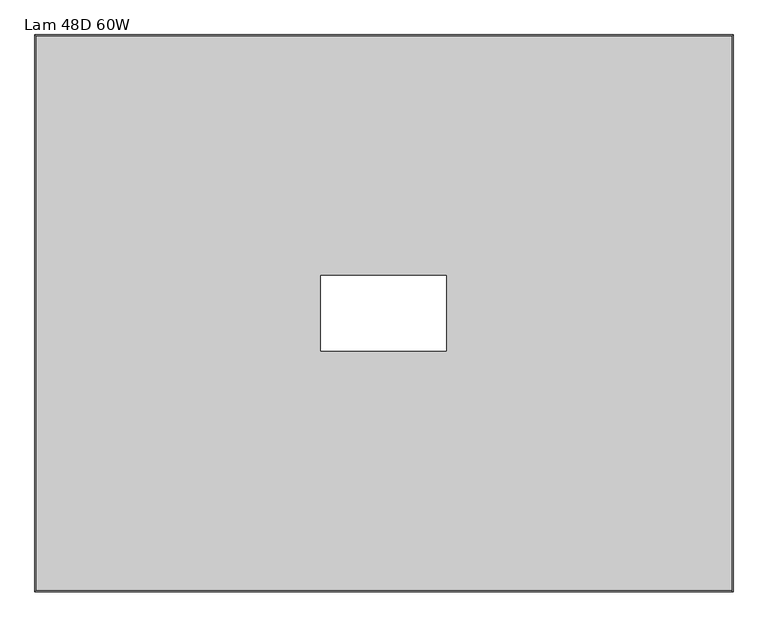
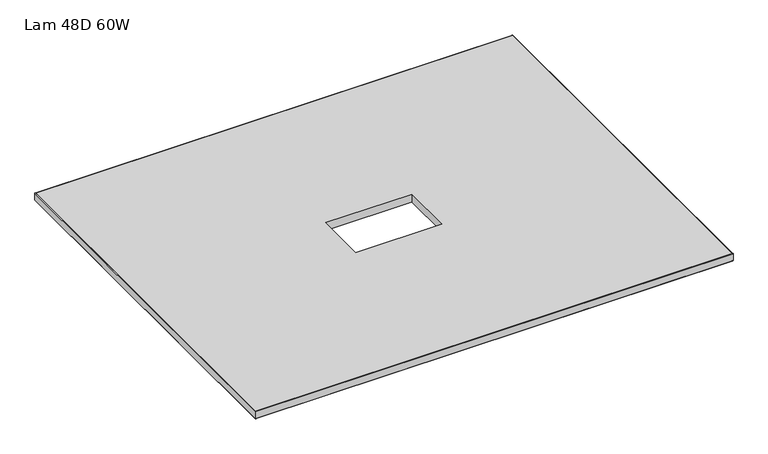
"""IFC4 building model written with IfcOpenShell, lengths in millimetres: furniture geometry, Lam 48D 60W."""

import ifcopenshell
import ifcopenshell.guid

model = None  # the IFC model being written
_history = None  # IfcOwnerHistory: only IFC2X3 demands one
_inside = {}  # id of a spatial element -> (the spatial element, [elements in it])
_under = {}  # id of a project, library or spatial element -> (it, [spatial elements below it])
_declared = {}  # id of a project -> (the project, [libraries it declares])
_typed = {}  # id of a type object -> (the type object, [elements of that type])
_made_of = {}  # id of a material, layer set ... -> (it, [elements and type objects made of it])


def new_model(schema):
    """Start an empty IFC model of exactly this schema.

    Asked for "IFC4X3", IfcOpenShell would pick the latest addendum, in which some entities
    have other attributes; the version numbers below select the first issue.
    IFC2X3 requires an IfcOwnerHistory on every rooted entity: one is made here for all.
    """
    global model, _history
    if schema == "IFC4X3":
        model = ifcopenshell.file(schema_version=(4, 3, 0, 0))
    else:
        model = ifcopenshell.file(schema=schema)
    _inside.clear()
    _under.clear()
    _declared.clear()
    _typed.clear()
    _made_of.clear()
    _history = None
    if model.schema == "IFC2X3":
        org = make("IfcOrganization", Name="unknown")
        user = make(
            "IfcPersonAndOrganization",
            ThePerson=make("IfcPerson", FamilyName="unknown"),
            TheOrganization=org,
        )
        app = make(
            "IfcApplication",
            ApplicationDeveloper=org,
            Version="unknown",
            ApplicationFullName="unknown",
            ApplicationIdentifier="unknown",
        )
        _history = make(
            "IfcOwnerHistory",
            OwningUser=user,
            OwningApplication=app,
            ChangeAction="ADDED",
            CreationDate=0,
        )
    return model


def make(cls, **values):
    """One entity of the class cls with the attributes given. An attribute that is None is left unset."""
    return model.create_entity(
        cls, **{name: value for name, value in values.items() if value is not None}
    )


def rooted(cls, **values):
    """An entity with a GlobalId (a new one), such as an element, a storey or a relation."""
    return make(cls, GlobalId=ifcopenshell.guid.new(), OwnerHistory=_history, **values)


def si_unit(unit_type, name, prefix=None):
    """IfcSIUnit, for example si_unit("LENGTHUNIT", "METRE", prefix="MILLI")."""
    return make("IfcSIUnit", UnitType=unit_type, Prefix=prefix, Name=name)


def assignment(units):
    """IfcUnitAssignment: the units of a project."""
    return None if units is None else make("IfcUnitAssignment", Units=units)


def point(xyz):
    """IfcCartesianPoint."""
    return None if xyz is None else make("IfcCartesianPoint", Coordinates=xyz)


def direction(xyz):
    """IfcDirection."""
    return None if xyz is None else make("IfcDirection", DirectionRatios=xyz)


def frame(location, z_axis=None, x_axis=None):
    """IfcAxis2Placement3D, a coordinate frame: its origin and axes. An axis left out is left unset."""
    return make(
        "IfcAxis2Placement3D",
        Location=point(location),
        Axis=direction(z_axis),
        RefDirection=direction(x_axis),
    )


def origin():
    """The frame at (0, 0, 0) with its axes left unset."""
    return frame((0.0, 0.0, 0.0))


def place(relative_to, where):
    """IfcLocalPlacement: puts the frame where relative to a parent placement (None: the world)."""
    return make(
        "IfcLocalPlacement", PlacementRelTo=relative_to, RelativePlacement=where
    )


def context(
    kind, dimensions, precision=None, world=None, true_north=None, identifier=None
):
    """IfcGeometricRepresentationContext, for example the 3D "Model" context."""
    return make(
        "IfcGeometricRepresentationContext",
        ContextIdentifier=identifier,
        ContextType=kind,
        CoordinateSpaceDimension=dimensions,
        Precision=precision,
        WorldCoordinateSystem=world,
        TrueNorth=true_north,
    )


def project(units=None, contexts=None):
    """IfcProject with its units and contexts."""
    return rooted(
        "IfcProject",
        Name="project",
        RepresentationContexts=contexts,
        UnitsInContext=assignment(units),
    )


def spatial(cls, under=None, at=None, **own):
    """A site, building, storey or space (cls), placed at a placement, below another one or the project."""
    s = rooted(cls, ObjectPlacement=at, **own)
    if under is not None:
        _under.setdefault(under.id(), (under, []))[1].append(s)
    return s


def polyline(points):
    """IfcPolyline through the points."""
    return make("IfcPolyline", Points=[point(p) for p in points])


def ellipse_curve(where, semi_axis1, semi_axis2):
    """IfcEllipse in the frame where."""
    return make(
        "IfcEllipse", Position=where, SemiAxis1=semi_axis1, SemiAxis2=semi_axis2
    )


def outline(outer, holes=None, kind="AREA"):
    """IfcArbitraryClosedProfileDef: a profile drawn as a closed curve; with holes, ...WithVoids."""
    if holes is None:
        return make("IfcArbitraryClosedProfileDef", ProfileType=kind, OuterCurve=outer)
    return make(
        "IfcArbitraryProfileDefWithVoids",
        ProfileType=kind,
        OuterCurve=outer,
        InnerCurves=holes,
    )


def extrude(swept, where, along, depth):
    """IfcExtrudedAreaSolid: the profile swept, set in the frame where, extruded along a direction by depth."""
    return make(
        "IfcExtrudedAreaSolid",
        SweptArea=swept,
        Position=where,
        ExtrudedDirection=direction(along),
        Depth=depth,
    )


def shape(context_of_items, identifier, shape_type, items):
    """IfcShapeRepresentation: the items that make up one representation, for example the "Body"."""
    return make(
        "IfcShapeRepresentation",
        ContextOfItems=context_of_items,
        RepresentationIdentifier=identifier,
        RepresentationType=shape_type,
        Items=items,
    )


def source(mapping_origin, context_of_items, identifier, shape_type, items):
    """IfcRepresentationMap: a shape defined once, which mapped items show again and again."""
    return make(
        "IfcRepresentationMap",
        MappingOrigin=mapping_origin,
        MappedRepresentation=shape(context_of_items, identifier, shape_type, items),
    )


def transform(
    local_origin,
    x_axis=None,
    y_axis=None,
    z_axis=None,
    scale=None,
    scale2=None,
    scale3=None,
    uniform=True,
):
    """IfcCartesianTransformationOperator3D, or its non-uniform kind. x_axis, y_axis, z_axis: its Axis1, 2, 3."""
    if uniform:
        return make(
            "IfcCartesianTransformationOperator3D",
            Axis1=direction(x_axis),
            Axis2=direction(y_axis),
            LocalOrigin=point(local_origin),
            Scale=scale,
            Axis3=direction(z_axis),
        )
    return make(
        "IfcCartesianTransformationOperator3DnonUniform",
        Axis1=direction(x_axis),
        Axis2=direction(y_axis),
        LocalOrigin=point(local_origin),
        Scale=scale,
        Axis3=direction(z_axis),
        Scale2=scale2,
        Scale3=scale3,
    )


def mapped(mapping_source, mapping_target):
    """IfcMappedItem: shows the shape of a source again, moved by a transform."""
    return make(
        "IfcMappedItem", MappingSource=mapping_source, MappingTarget=mapping_target
    )


def made_of(thing, what):
    """Note that an element or type object is made of a material, layer set ...; save() writes the relation."""
    if what is not None:
        _made_of.setdefault(what.id(), (what, []))[1].append(thing)
    return thing


def element(
    cls,
    number,
    at=None,
    inside=None,
    cuts=None,
    type_object=None,
    material=None,
    context=None,
    identifier="Body",
    shape_type=None,
    held_by="IfcProductDefinitionShape",
    body=None,
    shapes=None,
    **own,
):
    """One element of the class cls, such as IfcWall. Its Tag is "e" and its number.

    at: its placement. inside: the storey or other place that contains it. cuts: it is an
    opening in that element (IfcRelVoidsElement). A single representation is given by context,
    identifier, shape_type and body (its items); several are given by shapes. held_by: the class
    of the entity that holds the representations. save() writes the other relations.
    """
    e = rooted(cls, Tag="e%d" % number, ObjectPlacement=at, **own)
    if body is not None:
        shapes = [shape(context, identifier, shape_type, body)]
    if shapes is not None:
        e.Representation = make(held_by, Representations=shapes)
    if inside is not None:
        _inside.setdefault(inside.id(), (inside, []))[1].append(e)
    if cuts is not None:
        rooted(
            "IfcRelVoidsElement", RelatingBuildingElement=cuts, RelatedOpeningElement=e
        )
    if type_object is not None:
        _typed.setdefault(type_object.id(), (type_object, []))[1].append(e)
    return made_of(e, material)


def aggregate(whole, parts):
    """IfcRelAggregates: a whole, such as a stair, and the parts it consists of."""
    return rooted("IfcRelAggregates", RelatingObject=whole, RelatedObjects=parts)


def save(model, path):
    """Write the relations noted so far, then the file.

    IfcRelAggregates (storeys below a building ...), IfcRelContainedInSpatialStructure (elements
    in a storey), IfcRelDefinesByType, IfcRelAssociatesMaterial and IfcRelDeclares: one each for
    every whole, place, type object, material and project.
    """
    for whole, parts in _under.values():
        aggregate(whole, parts)
    for where, things in _inside.values():
        rooted(
            "IfcRelContainedInSpatialStructure",
            RelatedElements=things,
            RelatingStructure=where,
        )
    for kind, things in _typed.values():
        rooted("IfcRelDefinesByType", RelatedObjects=things, RelatingType=kind)
    for what, things in _made_of.values():
        rooted("IfcRelAssociatesMaterial", RelatedObjects=things, RelatingMaterial=what)
    for by, libraries in _declared.values():
        rooted("IfcRelDeclares", RelatingContext=by, RelatedDefinitions=libraries)
    model.write(path)


def plane_surface(at):
    """IfcPlane: the flat surface through the origin of the frame at, square to its z axis."""
    return make("IfcPlane", Position=at)


def cylinder_surface(at, radius):
    """IfcCylindricalSurface: all points at the distance radius from the z axis of the frame at."""
    return make("IfcCylindricalSurface", Position=at, Radius=radius)


def advanced_brep(points, edges, surfaces, faces):
    """IfcAdvancedBrep: a solid bounded by faces that lie on surfaces and meet in shared edges.

    An edge is (start, end): straight between two places in points (the first is 0);
    or (start, end, curve); or (start, end, curve, False) where it runs against its curve.
    A face is (place in surfaces, loops), or (place, loops, False) where it looks against
    its surface's normal. A loop lists edges by number (the first is 1), with a minus sign
    where the edge is run from its end to its start. The first loop is the outer one.
    """
    corners = [point(p) for p in points]
    vertices = [make("IfcVertexPoint", VertexGeometry=c) for c in corners]
    made = []
    for start, end, *more in edges:
        made.append(
            make(
                "IfcEdgeCurve",
                EdgeStart=vertices[start],
                EdgeEnd=vertices[end],
                EdgeGeometry=more[0] if more else make("IfcPolyline", Points=[corners[start], corners[end]]),
                SameSense=more[1] if len(more) > 1 else True,
            )
        )
    hull = []
    for where, loops, *sense in faces:
        bounds = []
        for j, loop in enumerate(loops):
            ring = [make("IfcOrientedEdge", EdgeElement=made[abs(k) - 1], Orientation=k > 0) for k in loop]
            bounds.append(
                make(
                    "IfcFaceOuterBound" if j == 0 else "IfcFaceBound",
                    Bound=make("IfcEdgeLoop", EdgeList=ring),
                    Orientation=True,
                )
            )
        hull.append(make("IfcAdvancedFace", Bounds=bounds, FaceSurface=surfaces[where], SameSense=sense[0] if sense else True))
    return make("IfcAdvancedBrep", Outer=make("IfcClosedShell", CfsFaces=hull))


def lam_48d_60w_bb0b114c(model_context):
    return source(origin(), model_context, "Body", "SolidModel", [
        advanced_brep(
        [(-397.0, 604.8248, 330.2), (-397.0, 604.8248, 304.8), (1119.3518, 604.8248, 304.8), (1119.3518, 604.8248, 330.2), (1119.3518, -604.8248, 304.8), (1119.3518, -604.8248, 330.2), (-397.0, -604.8248, 304.8), (-397.0, -604.8248, 330.2), (-398.6002, 606.425, 306.4002), (-398.6002, 606.425, 328.5998), (1120.952, 606.425, 328.5998), (1120.952, 606.425, 306.4002), (1120.952, -606.425, 328.5998), (1120.952, -606.425, 306.4002), (-398.6002, -606.425, 328.5998), (-398.6002, -606.425, 306.4002)],
        [
            (0, 1),
            (1, 2),
            (2, 3),
            (3, 0),
            (2, 4),
            (4, 5),
            (5, 3),
            (4, 6),
            (6, 7),
            (7, 5),
            (6, 1),
            (0, 7),
            (8, 9),
            (9, 10),
            (10, 11),
            (11, 8),
            (10, 12),
            (12, 13),
            (13, 11),
            (12, 14),
            (14, 15),
            (15, 13),
            (14, 9),
            (8, 15),
            (9, 0, ellipse_curve(frame((-397.0, 604.8248, 328.5998), z_axis=(0.7071067811865475, 0.7071067811865475, 0.0), x_axis=(-0.7071067811865476, 0.7071067811865474, 0.0)), 2.2630245, 1.6002)),
            (3, 10, ellipse_curve(frame((1119.3518, 604.8248, 328.5998), z_axis=(-0.7071067811865475, 0.7071067811865475, 0.0), x_axis=(-0.7071067811865476, -0.7071067811865474, 0.0)), 2.2630245, 1.6002)),
            (1, 8, ellipse_curve(frame((-397.0, 604.8248, 306.4002), z_axis=(0.7071067811865475, 0.7071067811865475, 0.0), x_axis=(-0.7071067811865476, 0.7071067811865474, 0.0)), 2.2630245, 1.6002)),
            (11, 2, ellipse_curve(frame((1119.3518, 604.8248, 306.4002), z_axis=(-0.7071067811865475, 0.7071067811865475, 0.0), x_axis=(-0.7071067811865476, -0.7071067811865474, 0.0)), 2.2630245, 1.6002)),
            (5, 12, ellipse_curve(frame((1119.3518, -604.8248, 328.5998), z_axis=(0.7071067811865475, 0.7071067811865475, 0.0), x_axis=(-0.7071067811865474, 0.7071067811865476, 0.0)), 2.2630245, 1.6002)),
            (13, 4, ellipse_curve(frame((1119.3518, -604.8248, 306.4002), z_axis=(0.7071067811865475, 0.7071067811865475, 0.0), x_axis=(-0.7071067811865474, 0.7071067811865476, 0.0)), 2.2630245, 1.6002)),
            (7, 14, ellipse_curve(frame((-397.0, -604.8248, 328.5998), z_axis=(0.7071067811865475, -0.7071067811865475, 0.0), x_axis=(0.7071067811865476, 0.7071067811865474, 0.0)), 2.2630245, 1.6002)),
            (15, 6, ellipse_curve(frame((-397.0, -604.8248, 306.4002), z_axis=(0.7071067811865475, -0.7071067811865475, 0.0), x_axis=(0.7071067811865476, 0.7071067811865474, 0.0)), 2.2630245, 1.6002)),
        ],
        [
            plane_surface(frame((-397.0, 604.8248, 304.8), z_axis=(0.0, -1.0, 0.0), x_axis=(1.0, 0.0, 0.0))),
            plane_surface(frame((1119.3518, 604.8248, 304.8), z_axis=(-1.0, 0.0, 0.0), x_axis=(0.0, -1.0, 0.0))),
            plane_surface(frame((1119.3518, -604.8248, 304.8), z_axis=(0.0, 1.0, 0.0), x_axis=(-1.0, 0.0, 0.0))),
            plane_surface(frame((-397.0, -604.8248, 304.8), z_axis=(1.0, 0.0, 0.0), x_axis=(0.0, 1.0, 0.0))),
            plane_surface(frame((-398.6002, 606.425, 328.5998), z_axis=(0.0, 1.0, 0.0), x_axis=(1.0, 0.0, 0.0))),
            plane_surface(frame((1120.952, 606.425, 328.5998), z_axis=(1.0, 0.0, 0.0), x_axis=(0.0, -1.0, 0.0))),
            plane_surface(frame((1120.952, -606.425, 328.5998), z_axis=(0.0, -1.0, 0.0), x_axis=(-1.0, 0.0, 0.0))),
            plane_surface(frame((-398.6002, -606.425, 328.5998), z_axis=(-1.0, 0.0, 0.0), x_axis=(0.0, 1.0, 0.0))),
            cylinder_surface(frame((-397.0, 604.8248, 328.5998), z_axis=(-1.0, 0.0, 0.0), x_axis=(0.0, -1.0, 0.0)), 1.6002),
            cylinder_surface(frame((-397.0, 604.8248, 306.4002), z_axis=(-1.0, 0.0, 0.0), x_axis=(0.0, -1.0, 0.0)), 1.6002),
            cylinder_surface(frame((1119.3518, 604.8248, 328.5998), z_axis=(0.0, 1.0, 0.0), x_axis=(-1.0, 0.0, 0.0)), 1.6002),
            cylinder_surface(frame((1119.3518, 604.8248, 306.4002), z_axis=(0.0, 1.0, 0.0), x_axis=(-1.0, 0.0, 0.0)), 1.6002),
            cylinder_surface(frame((1119.3518, -604.8248, 328.5998), z_axis=(1.0, 0.0, 0.0), x_axis=(0.0, 1.0, 0.0)), 1.6002),
            cylinder_surface(frame((1119.3518, -604.8248, 306.4002), z_axis=(1.0, 0.0, 0.0), x_axis=(0.0, 1.0, 0.0)), 1.6002),
            cylinder_surface(frame((-397.0, -604.8248, 328.5998), z_axis=(0.0, -1.0, 0.0), x_axis=(1.0, 0.0, 0.0)), 1.6002),
            cylinder_surface(frame((-397.0, -604.8248, 306.4002), z_axis=(0.0, -1.0, 0.0), x_axis=(1.0, 0.0, 0.0)), 1.6002),
        ],
        [
            (0, [[1, 2, 3, 4]]),
            (1, [[-3, 5, 6, 7]]),
            (2, [[-6, 8, 9, 10]]),
            (3, [[-9, 11, -1, 12]]),
            (4, [[13, 14, 15, 16]]),
            (5, [[-15, 17, 18, 19]]),
            (6, [[-18, 20, 21, 22]]),
            (7, [[-21, 23, -13, 24]]),
            (8, [[25, -4, 26, -14]]),
            (9, [[27, -16, 28, -2]]),
            (10, [[-26, -7, 29, -17]]),
            (11, [[-28, -19, 30, -5]]),
            (12, [[-29, -10, 31, -20]]),
            (13, [[-30, -22, 32, -8]]),
            (14, [[-31, -12, -25, -23]]),
            (15, [[-32, -24, -27, -11]]),
        ],
    ),
        extrude(outline(polyline([(1119.3518, 604.8248), (1119.3518, -604.8248), (-397.0, -604.8248), (-397.0, 604.8248), (1119.3518, 604.8248)]), holes=[polyline([(497.001, 81.915), (223.951, 81.915), (223.951, -81.915), (497.001, -81.915), (497.001, 81.915)])]), frame((0.0, 0.0, 304.8), z_axis=(0.0, 0.0, 1.0), x_axis=(1.0, 0.0, 0.0)), (0.0, 0.0, 1.0), 25.4),
    ])


if __name__ == "__main__":
    model = new_model("IFC4")
    model_context = context("Model", 3, world=origin())
    ifc_project = project(units=[si_unit("LENGTHUNIT", "METRE", prefix="MILLI")], contexts=[model_context])
    site = spatial("IfcSite", under=ifc_project)
    building = spatial("IfcBuilding", under=site)
    placement = place(None, origin())
    lam_48d_60w_shape = lam_48d_60w_bb0b114c(model_context)
    element("IfcFurniture", 1, ObjectType="Lam 48D 60W", at=placement, inside=building, context=model_context, shape_type="MappedRepresentation", body=[
        mapped(lam_48d_60w_shape, transform((0.0, 0.0, 0.0), x_axis=(1.0, 0.0, 0.0), y_axis=(0.0, 1.0, 0.0), z_axis=(0.0, 0.0, 1.0))),
    ])
    save(model, "model.ifc")
